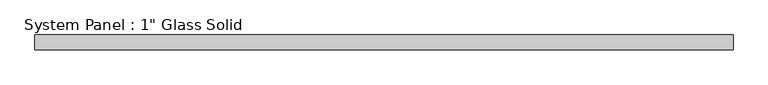
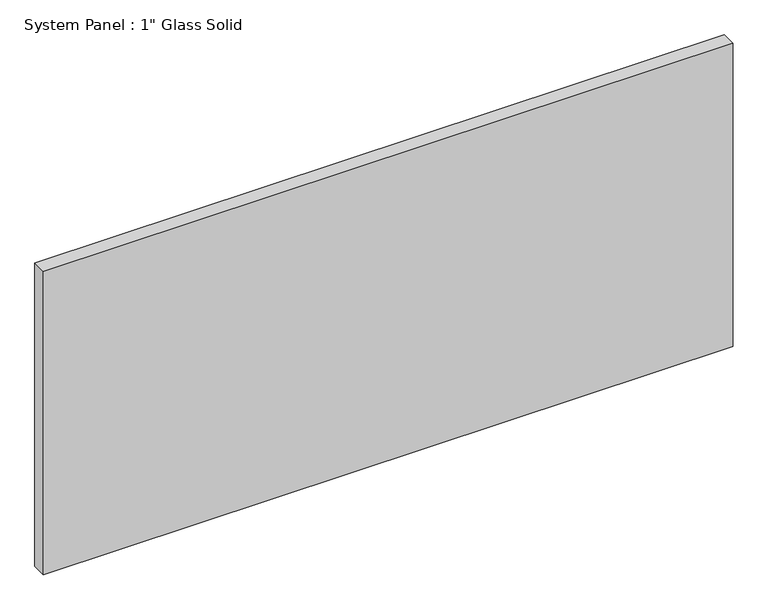
"""IFC4 building model written with IfcOpenShell, lengths in millimetres: plate geometry."""

import ifcopenshell
import ifcopenshell.guid

model = None  # the IFC model being written
_history = None  # IfcOwnerHistory: only IFC2X3 demands one
_inside = {}  # id of a spatial element -> (the spatial element, [elements in it])
_under = {}  # id of a project, library or spatial element -> (it, [spatial elements below it])
_declared = {}  # id of a project -> (the project, [libraries it declares])
_typed = {}  # id of a type object -> (the type object, [elements of that type])
_made_of = {}  # id of a material, layer set ... -> (it, [elements and type objects made of it])


def new_model(schema):
    """Start an empty IFC model of exactly this schema.

    Asked for "IFC4X3", IfcOpenShell would pick the latest addendum, in which some entities
    have other attributes; the version numbers below select the first issue.
    IFC2X3 requires an IfcOwnerHistory on every rooted entity: one is made here for all.
    """
    global model, _history
    if schema == "IFC4X3":
        model = ifcopenshell.file(schema_version=(4, 3, 0, 0))
    else:
        model = ifcopenshell.file(schema=schema)
    _inside.clear()
    _under.clear()
    _declared.clear()
    _typed.clear()
    _made_of.clear()
    _history = None
    if model.schema == "IFC2X3":
        org = make("IfcOrganization", Name="unknown")
        user = make(
            "IfcPersonAndOrganization",
            ThePerson=make("IfcPerson", FamilyName="unknown"),
            TheOrganization=org,
        )
        app = make(
            "IfcApplication",
            ApplicationDeveloper=org,
            Version="unknown",
            ApplicationFullName="unknown",
            ApplicationIdentifier="unknown",
        )
        _history = make(
            "IfcOwnerHistory",
            OwningUser=user,
            OwningApplication=app,
            ChangeAction="ADDED",
            CreationDate=0,
        )
    return model


def make(cls, **values):
    """One entity of the class cls with the attributes given. An attribute that is None is left unset."""
    return model.create_entity(
        cls, **{name: value for name, value in values.items() if value is not None}
    )


def rooted(cls, **values):
    """An entity with a GlobalId (a new one), such as an element, a storey or a relation."""
    return make(cls, GlobalId=ifcopenshell.guid.new(), OwnerHistory=_history, **values)


def si_unit(unit_type, name, prefix=None):
    """IfcSIUnit, for example si_unit("LENGTHUNIT", "METRE", prefix="MILLI")."""
    return make("IfcSIUnit", UnitType=unit_type, Prefix=prefix, Name=name)


def assignment(units):
    """IfcUnitAssignment: the units of a project."""
    return None if units is None else make("IfcUnitAssignment", Units=units)


def point(xyz):
    """IfcCartesianPoint."""
    return None if xyz is None else make("IfcCartesianPoint", Coordinates=xyz)


def direction(xyz):
    """IfcDirection."""
    return None if xyz is None else make("IfcDirection", DirectionRatios=xyz)


def frame(location, z_axis=None, x_axis=None):
    """IfcAxis2Placement3D, a coordinate frame: its origin and axes. An axis left out is left unset."""
    return make(
        "IfcAxis2Placement3D",
        Location=point(location),
        Axis=direction(z_axis),
        RefDirection=direction(x_axis),
    )


def origin():
    """The frame at (0, 0, 0) with its axes left unset."""
    return frame((0.0, 0.0, 0.0))


def origin_with_axes():
    """The frame at (0, 0, 0) with the z axis (0, 0, 1) and the x axis (1, 0, 0) written out."""
    return frame((0.0, 0.0, 0.0), z_axis=(0.0, 0.0, 1.0), x_axis=(1.0, 0.0, 0.0))


def place(relative_to, where):
    """IfcLocalPlacement: puts the frame where relative to a parent placement (None: the world)."""
    return make(
        "IfcLocalPlacement", PlacementRelTo=relative_to, RelativePlacement=where
    )


def context(
    kind, dimensions, precision=None, world=None, true_north=None, identifier=None
):
    """IfcGeometricRepresentationContext, for example the 3D "Model" context."""
    return make(
        "IfcGeometricRepresentationContext",
        ContextIdentifier=identifier,
        ContextType=kind,
        CoordinateSpaceDimension=dimensions,
        Precision=precision,
        WorldCoordinateSystem=world,
        TrueNorth=true_north,
    )


def project(units=None, contexts=None):
    """IfcProject with its units and contexts."""
    return rooted(
        "IfcProject",
        Name="project",
        RepresentationContexts=contexts,
        UnitsInContext=assignment(units),
    )


def spatial(cls, under=None, at=None, **own):
    """A site, building, storey or space (cls), placed at a placement, below another one or the project."""
    s = rooted(cls, ObjectPlacement=at, **own)
    if under is not None:
        _under.setdefault(under.id(), (under, []))[1].append(s)
    return s


def polyline(points):
    """IfcPolyline through the points."""
    return make("IfcPolyline", Points=[point(p) for p in points])


def outline(outer, holes=None, kind="AREA"):
    """IfcArbitraryClosedProfileDef: a profile drawn as a closed curve; with holes, ...WithVoids."""
    if holes is None:
        return make("IfcArbitraryClosedProfileDef", ProfileType=kind, OuterCurve=outer)
    return make(
        "IfcArbitraryProfileDefWithVoids",
        ProfileType=kind,
        OuterCurve=outer,
        InnerCurves=holes,
    )


def extrude(swept, where, along, depth):
    """IfcExtrudedAreaSolid: the profile swept, set in the frame where, extruded along a direction by depth."""
    return make(
        "IfcExtrudedAreaSolid",
        SweptArea=swept,
        Position=where,
        ExtrudedDirection=direction(along),
        Depth=depth,
    )


def shape(context_of_items, identifier, shape_type, items):
    """IfcShapeRepresentation: the items that make up one representation, for example the "Body"."""
    return make(
        "IfcShapeRepresentation",
        ContextOfItems=context_of_items,
        RepresentationIdentifier=identifier,
        RepresentationType=shape_type,
        Items=items,
    )


def source(mapping_origin, context_of_items, identifier, shape_type, items):
    """IfcRepresentationMap: a shape defined once, which mapped items show again and again."""
    return make(
        "IfcRepresentationMap",
        MappingOrigin=mapping_origin,
        MappedRepresentation=shape(context_of_items, identifier, shape_type, items),
    )


def transform(
    local_origin,
    x_axis=None,
    y_axis=None,
    z_axis=None,
    scale=None,
    scale2=None,
    scale3=None,
    uniform=True,
):
    """IfcCartesianTransformationOperator3D, or its non-uniform kind. x_axis, y_axis, z_axis: its Axis1, 2, 3."""
    if uniform:
        return make(
            "IfcCartesianTransformationOperator3D",
            Axis1=direction(x_axis),
            Axis2=direction(y_axis),
            LocalOrigin=point(local_origin),
            Scale=scale,
            Axis3=direction(z_axis),
        )
    return make(
        "IfcCartesianTransformationOperator3DnonUniform",
        Axis1=direction(x_axis),
        Axis2=direction(y_axis),
        LocalOrigin=point(local_origin),
        Scale=scale,
        Axis3=direction(z_axis),
        Scale2=scale2,
        Scale3=scale3,
    )


def mapped(mapping_source, mapping_target):
    """IfcMappedItem: shows the shape of a source again, moved by a transform."""
    return make(
        "IfcMappedItem", MappingSource=mapping_source, MappingTarget=mapping_target
    )


def made_of(thing, what):
    """Note that an element or type object is made of a material, layer set ...; save() writes the relation."""
    if what is not None:
        _made_of.setdefault(what.id(), (what, []))[1].append(thing)
    return thing


def element(
    cls,
    number,
    at=None,
    inside=None,
    cuts=None,
    type_object=None,
    material=None,
    context=None,
    identifier="Body",
    shape_type=None,
    held_by="IfcProductDefinitionShape",
    body=None,
    shapes=None,
    **own,
):
    """One element of the class cls, such as IfcWall. Its Tag is "e" and its number.

    at: its placement. inside: the storey or other place that contains it. cuts: it is an
    opening in that element (IfcRelVoidsElement). A single representation is given by context,
    identifier, shape_type and body (its items); several are given by shapes. held_by: the class
    of the entity that holds the representations. save() writes the other relations.
    """
    e = rooted(cls, Tag="e%d" % number, ObjectPlacement=at, **own)
    if body is not None:
        shapes = [shape(context, identifier, shape_type, body)]
    if shapes is not None:
        e.Representation = make(held_by, Representations=shapes)
    if inside is not None:
        _inside.setdefault(inside.id(), (inside, []))[1].append(e)
    if cuts is not None:
        rooted(
            "IfcRelVoidsElement", RelatingBuildingElement=cuts, RelatedOpeningElement=e
        )
    if type_object is not None:
        _typed.setdefault(type_object.id(), (type_object, []))[1].append(e)
    return made_of(e, material)


def aggregate(whole, parts):
    """IfcRelAggregates: a whole, such as a stair, and the parts it consists of."""
    return rooted("IfcRelAggregates", RelatingObject=whole, RelatedObjects=parts)


def save(model, path):
    """Write the relations noted so far, then the file.

    IfcRelAggregates (storeys below a building ...), IfcRelContainedInSpatialStructure (elements
    in a storey), IfcRelDefinesByType, IfcRelAssociatesMaterial and IfcRelDeclares: one each for
    every whole, place, type object, material and project.
    """
    for whole, parts in _under.values():
        aggregate(whole, parts)
    for where, things in _inside.values():
        rooted(
            "IfcRelContainedInSpatialStructure",
            RelatedElements=things,
            RelatingStructure=where,
        )
    for kind, things in _typed.values():
        rooted("IfcRelDefinesByType", RelatedObjects=things, RelatingType=kind)
    for what, things in _made_of.values():
        rooted("IfcRelAssociatesMaterial", RelatedObjects=things, RelatingMaterial=what)
    for by, libraries in _declared.values():
        rooted("IfcRelDeclares", RelatingContext=by, RelatedDefinitions=libraries)
    model.write(path)


def plate_ab130441(model_context):
    return source(origin(), model_context, "Body", "SweptSolid", [
        extrude(outline(polyline([(593.725, -12.7), (-593.725, -12.7), (-593.725, 12.7), (593.725, 12.7), (593.725, -12.7)])), origin_with_axes(), (0.0, 0.0, 1.0), 552.45),
    ])


if __name__ == "__main__":
    model = new_model("IFC4")
    model_context = context("Model", 3, world=origin())
    ifc_project = project(units=[si_unit("LENGTHUNIT", "METRE", prefix="MILLI")], contexts=[model_context])
    site = spatial("IfcSite", under=ifc_project)
    building = spatial("IfcBuilding", under=site)
    placement = place(None, origin())
    plate_shape = plate_ab130441(model_context)
    element("IfcPlate", 1, ObjectType="System Panel : 1\" Glass Solid", at=placement, inside=building, context=model_context, shape_type="MappedRepresentation", body=[
        mapped(plate_shape, transform((0.0, 0.0, 0.0), x_axis=(1.0, 0.0, 0.0), y_axis=(0.0, 1.0, 0.0), z_axis=(0.0, 0.0, 1.0))),
    ])
    save(model, "model.ifc")
